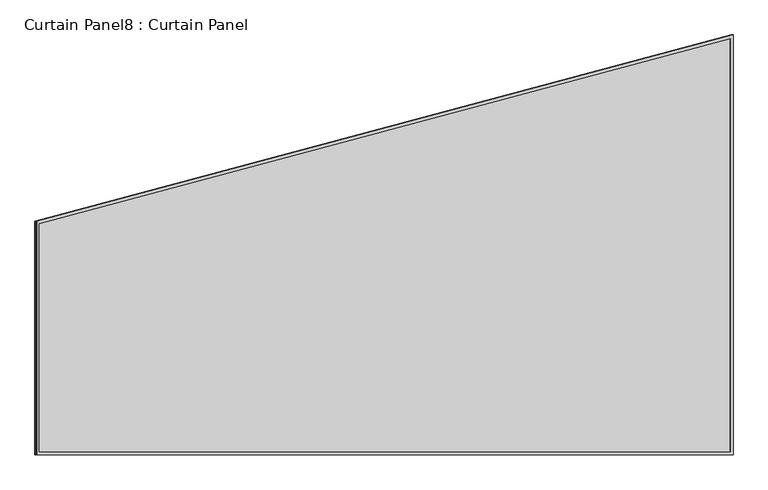
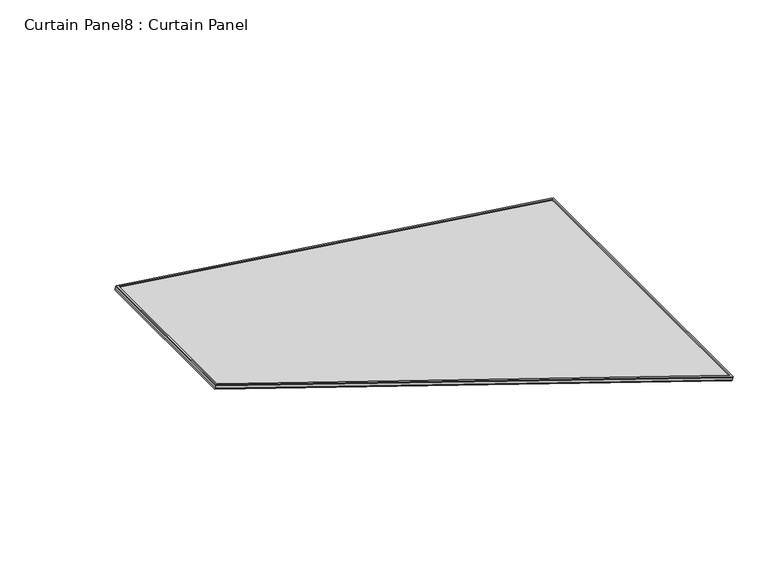
"""IFC4 building model written with IfcOpenShell, lengths in millimetres: plate geometry, Curtain Panel8 : Curtain Panel."""

from ifc_helpers import new_model, si_unit, frame, origin, place, context, project, spatial, polyline, outline, extrude, source, transform, mapped, element, save


def curtain_panel8_curtain_panel_d5f86b9b(model_context):
    return source(origin(), model_context, "Body", "SweptSolid", [
        extrude(outline(polyline([(1625.9225982, -2842.276264), (0.0, -2842.276264), (0.0, 0.0), (903.3982323, 0.0), (1625.9225982, -2842.276264)]), holes=[polyline([(894.7571702, -11.1125), (11.1125, -11.1125), (11.1125, -2831.1637639), (1611.6318022, -2831.1637639), (894.7571702, -11.1125)])]), frame((18969.7117516, 2209.2086718, 889.3914301), z_axis=(0.31614582397380553, 0.0, 0.9487106081329141), x_axis=(0.0, 1.0, 0.0)), (0.0, 0.0, 1.0), 4.8733726),
        extrude(outline(polyline([(1625.9225982, -2842.276264), (0.0, -2842.276264), (0.0, 0.0), (903.3982323, 0.0), (1625.9225982, -2842.276264)]), holes=[polyline([(894.7571702, -11.1125), (11.1125, -11.1125), (11.1125, -2831.1637639), (1611.6318022, -2831.1637639), (894.7571702, -11.1125)])]), frame((18964.1490264, 2209.2086718, 872.6984486), z_axis=(0.31614582397380536, 0.0, 0.9487106081329142), x_axis=(0.0, 1.0, 0.0)), (0.0, 0.0, 1.0), 4.6892645),
        extrude(outline(polyline([(25.6727143, 0.0), (1651.5953125, 0.0), (1651.5953125, -2842.276264), (748.1970802, -2842.276264), (25.6727143, 0.0)])), frame((21662.1291607, 3860.8039843, -21.4265679), z_axis=(0.3161458239738058, 0.0, 0.948710608132914), x_axis=(0.0, -1.0, 0.0)), (0.0, 0.0, 1.0), 12.9061765),
    ])


if __name__ == "__main__":
    model = new_model("IFC4")
    model_context = context("Model", 3, world=origin())
    ifc_project = project(units=[si_unit("LENGTHUNIT", "METRE", prefix="MILLI")], contexts=[model_context])
    site = spatial("IfcSite", under=ifc_project)
    building = spatial("IfcBuilding", under=site)
    placement = place(None, origin())
    curtain_panel8_curtain_panel_shape = curtain_panel8_curtain_panel_d5f86b9b(model_context)
    element("IfcPlate", 1, ObjectType="Curtain Panel8 : Curtain Panel", at=placement, inside=building, context=model_context, shape_type="MappedRepresentation", body=[
        mapped(curtain_panel8_curtain_panel_shape, transform((0.0, 0.0, 0.0), x_axis=(1.0, 0.0, 0.0), y_axis=(0.0, 1.0, 0.0), z_axis=(0.0, 0.0, 1.0))),
    ])
    save(model, "model.ifc")
